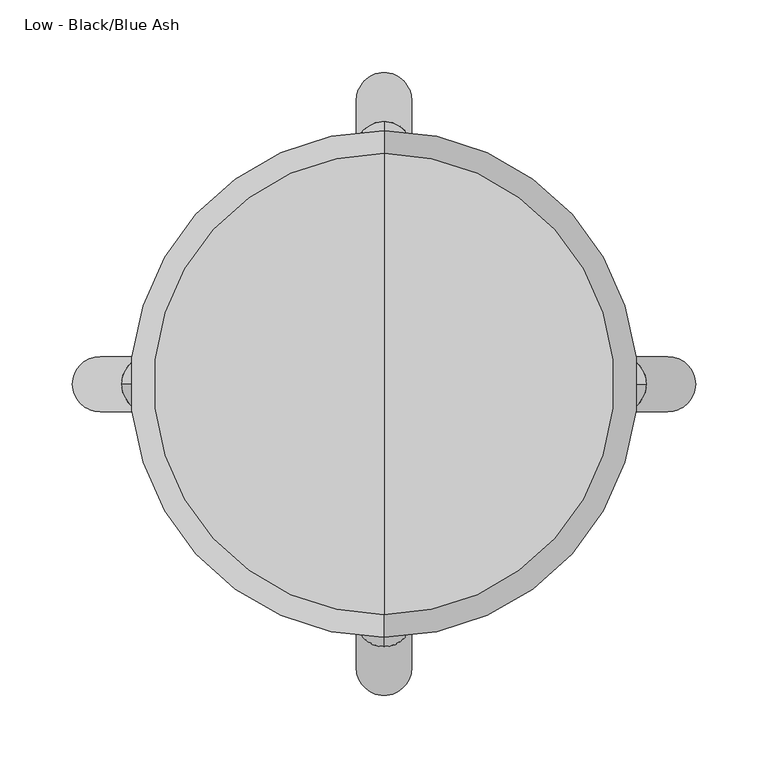
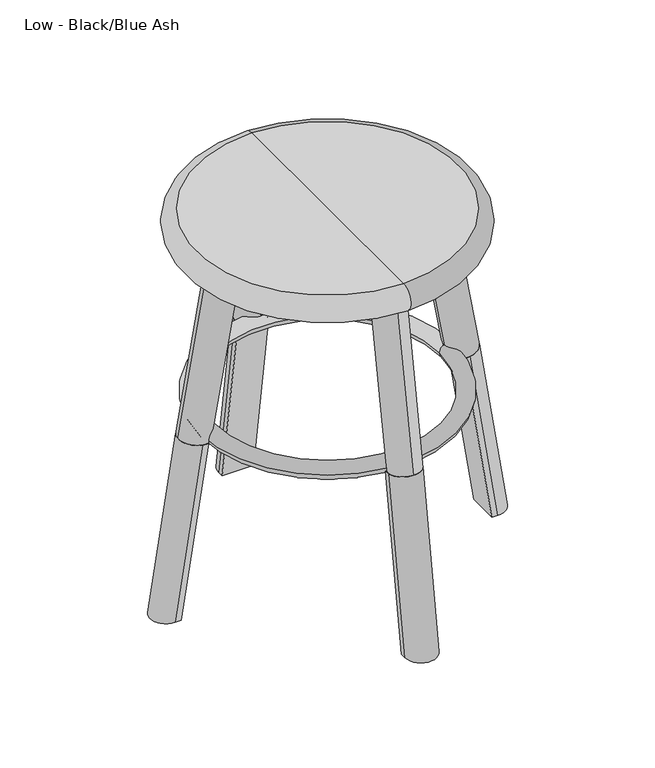
"""IFC4 building model written with IfcOpenShell, lengths in millimetres: furniture geometry, Low - Black/Blue Ash."""

from ifc_helpers import new_model, si_unit, point, frame, origin, origin_2d, place, context, project, spatial, circle_curve, ellipse_curve, trimmed, segment, composite_curve, outline, extrude, source, transform, mapped, element, save
from ifc_brep_helpers import plane_surface, cylinder_surface, revolved_surface, advanced_brep


def low_black_blue_ash_d314694e(model_context):
    return source(origin(), model_context, "Body", "SolidModel", [
        advanced_brep(
        [(155.0996299, -19.05, 213.9769897), (162.3177726, -19.05, 215.0951224), (162.3177726, 19.05, 215.0951224), (155.0996299, 19.05, 213.9769897), (188.2459222, 19.05, 0.0), (188.2459222, -19.05, 0.0), (195.6372703, 19.05, 0.0), (195.6372703, -19.05, 0.0)],
        [
            (0, 1),
            (1, 2, circle_curve(frame((162.3177726, 0.0, 215.0951224), z_axis=(-0.1530801181964548, 0.0, 0.988213781230033), x_axis=(-0.988213781230033, 0.0, -0.1530801181964548)), 19.05)),
            (2, 3),
            (3, 0),
            (3, 4),
            (4, 5),
            (5, 0),
            (2, 6),
            (6, 4),
            (1, 7),
            (7, 6, ellipse_curve(frame((195.6372703, 0.0, 0.0), z_axis=(0.0, 0.0, 1.0), x_axis=(-1.0, 0.0, 0.0)), 19.2772054, 19.05)),
            (5, 7),
        ],
        [
            plane_surface(frame((151.1776564, 0.0, 213.369453), z_axis=(-0.15308011819645478, 0.0, 0.988213781230033), x_axis=(0.0, -1.0, 0.0))),
            plane_surface(frame((155.0996299, 19.05, 213.9769897), z_axis=(-0.988213781230033, 0.0, -0.15308011819645478), x_axis=(0.15308011819645478, 0.0, -0.988213781230033))),
            plane_surface(frame((162.3177726, 19.05, 215.0951224), z_axis=(0.0, 1.0, 0.0), x_axis=(0.15308011819645478, 0.0, -0.988213781230033))),
            cylinder_surface(frame((162.3177726, 0.0, 215.0951224), z_axis=(-0.1530801181964548, 0.0, 0.988213781230033), x_axis=(-0.988213781230033, 0.0, -0.1530801181964548)), 19.05),
            plane_surface(frame((155.0996299, -19.05, 213.9769897), z_axis=(0.0, -1.0, 0.0), x_axis=(0.15308011819645478, 0.0, -0.988213781230033))),
            plane_surface(frame((-304.8, -264.8319713, 0.0), z_axis=(0.0, 0.0, -1.0), x_axis=(1.0, 0.0, 0.0))),
        ],
        [
            (0, [[1, 2, 3, 4]]),
            (1, [[-4, 5, 6, 7]]),
            (2, [[-3, 8, 9, -5]]),
            (3, [[-2, 10, 11, -8]]),
            (4, [[-1, -7, 12, -10]]),
            (5, [[-6, -9, -11, -12]]),
        ],
    ),
        advanced_brep(
        [(-19.05, -155.0996299, 213.9769897), (-19.05, -162.3177726, 215.0951224), (19.05, -162.3177726, 215.0951224), (19.05, -155.0996299, 213.9769897), (19.05, -188.2459222, 0.0), (-19.05, -188.2459222, 0.0), (19.05, -195.6372703, 0.0), (-19.05, -195.6372703, 0.0)],
        [
            (0, 1),
            (1, 2, circle_curve(frame((0.0, -162.3177726, 215.0951224), z_axis=(0.0, 0.1530801181964548, 0.988213781230033), x_axis=(0.0, 0.988213781230033, -0.1530801181964548)), 19.05)),
            (2, 3),
            (3, 0),
            (3, 4),
            (4, 5),
            (5, 0),
            (2, 6),
            (6, 4),
            (1, 7),
            (7, 6, ellipse_curve(frame((0.0, -195.6372703, 0.0), z_axis=(0.0, 0.0, 1.0), x_axis=(0.0, 1.0, 0.0)), 19.2772054, 19.05)),
            (5, 7),
        ],
        [
            plane_surface(frame((0.0, -151.1776564, 213.369453), z_axis=(0.0, 0.15308011819645478, 0.988213781230033), x_axis=(-1.0, 0.0, 0.0))),
            plane_surface(frame((19.05, -155.0996299, 213.9769897), z_axis=(0.0, 0.988213781230033, -0.15308011819645478), x_axis=(0.0, -0.15308011819645478, -0.988213781230033))),
            plane_surface(frame((19.05, -162.3177726, 215.0951224), z_axis=(1.0, 0.0, 0.0), x_axis=(0.0, -0.15308011819645476, -0.988213781230033))),
            cylinder_surface(frame((0.0, -162.3177726, 215.0951224), z_axis=(0.0, 0.1530801181964548, 0.988213781230033), x_axis=(0.0, 0.988213781230033, -0.1530801181964548)), 19.05),
            plane_surface(frame((-19.05, -155.0996299, 213.9769897), z_axis=(-1.0, 0.0, 0.0), x_axis=(0.0, -0.15308011819645478, -0.988213781230033))),
            plane_surface(frame((-304.8, -264.8319713, 0.0), z_axis=(0.0, 0.0, -1.0), x_axis=(1.0, 0.0, 0.0))),
        ],
        [
            (0, [[1, 2, 3, 4]]),
            (1, [[-4, 5, 6, 7]]),
            (2, [[-3, 8, 9, -5]]),
            (3, [[-2, 10, 11, -8]]),
            (4, [[-1, -7, 12, -10]]),
            (5, [[-6, -9, -11, -12]]),
        ],
    ),
        advanced_brep(
        [(-19.05, 155.0996299, 213.9769897), (19.05, 155.0996299, 213.9769897), (19.05, 162.3177726, 215.0951224), (-19.05, 162.3177726, 215.0951224), (-19.05, 188.2459222, 0.0), (19.05, 188.2459222, 0.0), (19.05, 195.6372703, 0.0), (-19.05, 195.6372703, 0.0)],
        [
            (0, 1),
            (1, 2),
            (2, 3, circle_curve(frame((0.0, 162.3177726, 215.0951224), z_axis=(0.0, -0.1530801181964548, 0.988213781230033), x_axis=(0.0, -0.988213781230033, -0.1530801181964548)), 19.05)),
            (3, 0),
            (0, 4),
            (4, 5),
            (5, 1),
            (5, 6),
            (6, 2),
            (6, 7, ellipse_curve(frame((0.0, 195.6372703, 0.0), z_axis=(0.0, 0.0, 1.0), x_axis=(0.0, -1.0, 0.0)), 19.2772054, 19.05)),
            (7, 3),
            (7, 4),
        ],
        [
            plane_surface(frame((0.0, 151.1776564, 213.369453), z_axis=(0.0, -0.15308011819645478, 0.988213781230033), x_axis=(-1.0, 0.0, 0.0))),
            plane_surface(frame((-19.05, 155.0996299, 213.9769897), z_axis=(0.0, -0.988213781230033, -0.1530801181964548), x_axis=(0.0, 0.1530801181964548, -0.988213781230033))),
            plane_surface(frame((19.05, 155.0996299, 213.9769897), z_axis=(1.0000000000000002, 0.0, 0.0), x_axis=(0.0, 0.1530801181964548, -0.988213781230033))),
            cylinder_surface(frame((0.0, 162.3177726, 215.0951224), z_axis=(0.0, -0.1530801181964548, 0.988213781230033), x_axis=(0.0, -0.988213781230033, -0.1530801181964548)), 19.05),
            plane_surface(frame((-19.05, 162.3177726, 215.0951224), z_axis=(-1.0, 0.0, 0.0), x_axis=(0.0, 0.15308011819645478, -0.988213781230033))),
            plane_surface(frame((-304.8, -264.8319713, 0.0), z_axis=(0.0, 0.0, -1.0), x_axis=(1.0, 0.0, 0.0))),
        ],
        [
            (0, [[1, 2, 3, 4]]),
            (1, [[-1, 5, 6, 7]]),
            (2, [[-2, -7, 8, 9]]),
            (3, [[-3, -9, 10, 11]]),
            (4, [[-4, -11, 12, -5]]),
            (5, [[-6, -12, -10, -8]]),
        ],
    ),
        advanced_brep(
        [(-155.0996299, -19.05, 213.9769897), (-155.0996299, 19.05, 213.9769897), (-162.3177726, 19.05, 215.0951224), (-162.3177726, -19.05, 215.0951224), (-188.2459222, -19.05, 0.0), (-188.2459222, 19.05, 0.0), (-195.6372703, 19.05, 0.0), (-195.6372703, -19.05, 0.0)],
        [
            (0, 1),
            (1, 2),
            (2, 3, circle_curve(frame((-162.3177726, 0.0, 215.0951224), z_axis=(0.1530801181964548, 0.0, 0.988213781230033), x_axis=(0.988213781230033, 0.0, -0.1530801181964548)), 19.05)),
            (3, 0),
            (0, 4),
            (4, 5),
            (5, 1),
            (5, 6),
            (6, 2),
            (6, 7, ellipse_curve(frame((-195.6372703, 0.0, 0.0), z_axis=(0.0, 0.0, 1.0), x_axis=(1.0, 0.0, 0.0)), 19.2772054, 19.05)),
            (7, 3),
            (7, 4),
        ],
        [
            plane_surface(frame((-151.1776564, 0.0, 213.369453), z_axis=(0.15308011819645478, 0.0, 0.988213781230033), x_axis=(0.0, -1.0, 0.0))),
            plane_surface(frame((-155.0996299, -19.05, 213.9769897), z_axis=(0.988213781230033, 0.0, -0.15308011819645478), x_axis=(-0.15308011819645478, 0.0, -0.988213781230033))),
            plane_surface(frame((-155.0996299, 19.05, 213.9769897), z_axis=(0.0, 1.0, 0.0), x_axis=(-0.15308011819645478, 0.0, -0.988213781230033))),
            cylinder_surface(frame((-162.3177726, 0.0, 215.0951224), z_axis=(0.1530801181964548, 0.0, 0.988213781230033), x_axis=(0.988213781230033, 0.0, -0.1530801181964548)), 19.05),
            plane_surface(frame((-162.3177726, -19.05, 215.0951224), z_axis=(0.0, -1.0, 0.0), x_axis=(-0.15308011819645478, 0.0, -0.988213781230033))),
            plane_surface(frame((-304.8, -264.8319713, 0.0), z_axis=(0.0, 0.0, -1.0), x_axis=(1.0, 0.0, 0.0))),
        ],
        [
            (0, [[1, 2, 3, 4]]),
            (1, [[-1, 5, 6, 7]]),
            (2, [[-2, -7, 8, 9]]),
            (3, [[-3, -9, 10, 11]]),
            (4, [[-4, -11, 12, -5]]),
            (5, [[-6, -12, -10, -8]]),
        ],
    ),
        extrude(outline(composite_curve([segment(trimmed(circle_curve(origin_2d(), 19.05), [point((0.0, -19.0500001))], [point((0.0, 19.0499999))], False, "CARTESIAN"), True, "CONTINUOUS"), segment(trimmed(circle_curve(origin_2d(), 19.05), [point((0.0, 19.0499999))], [point((0.0, -19.0500001))], False, "CARTESIAN"), True, "CONTINUOUS")], self_intersect=False)), frame((0.0, -162.5563694, 214.0710263), z_axis=(0.0, 0.1725043311403054, 0.9850087592188386), x_axis=(-1.0, 0.0, 0.0)), (0.0, 0.0, 1.0), 223.096023),
        extrude(outline(composite_curve([segment(trimmed(circle_curve(origin_2d(), 19.05), [point((0.0, -19.0499999))], [point((0.0, 19.0500001))], False, "CARTESIAN"), True, "CONTINUOUS"), segment(trimmed(circle_curve(origin_2d(), 19.05), [point((0.0, 19.0500001))], [point((0.0, -19.0499999))], False, "CARTESIAN"), True, "CONTINUOUS")], self_intersect=False)), frame((0.0, 162.5563694, 214.0710263), z_axis=(0.0, -0.17250433114030816, 0.9850087592188381), x_axis=(-1.0, 0.0, 0.0)), (0.0, 0.0, 1.0), 223.096023),
        extrude(outline(composite_curve([segment(trimmed(circle_curve(origin_2d(), 19.05), [point((0.0, -19.0500001))], [point((0.0, 19.0499999))], False, "CARTESIAN"), True, "CONTINUOUS"), segment(trimmed(circle_curve(origin_2d(), 19.05), [point((0.0, 19.0499999))], [point((0.0, -19.0500001))], False, "CARTESIAN"), True, "CONTINUOUS")], self_intersect=False)), frame((162.5563694, 0.0, 214.0710263), z_axis=(-0.17250433114037325, 0.0, 0.9850087592188267), x_axis=(0.0, -1.0, 0.0)), (0.0, 0.0, 1.0), 223.096023),
        extrude(outline(composite_curve([segment(trimmed(circle_curve(origin_2d(), 19.05), [point((0.0, -19.0499999))], [point((0.0, 19.0500001))], False, "CARTESIAN"), True, "CONTINUOUS"), segment(trimmed(circle_curve(origin_2d(), 19.05), [point((0.0, 19.0500001))], [point((0.0, -19.0499999))], False, "CARTESIAN"), True, "CONTINUOUS")], self_intersect=False)), frame((-162.5563694, 0.0, 214.0710263), z_axis=(0.1725043311402403, 0.0, 0.98500875921885), x_axis=(0.0, -1.0, 0.0)), (0.0, 0.0, 1.0), 223.096023),
        advanced_brep(
        [(135.7105193, 0.0, 217.2128196), (-135.7105193, 0.0, 217.2128196), (-155.8205717, 0.0, 217.2128196), (155.8205717, 0.0, 217.2128196)],
        [
            (0, 1, circle_curve(frame((0.0, 0.0, 217.2128196), z_axis=(0.0, 0.0, -1.0), x_axis=(-1.0, 0.0, 0.0)), 135.7105193)),
            (1, 2, circle_curve(frame((-145.7655455, 0.0, 217.2128196), z_axis=(0.0, -1.0, 0.0), x_axis=(1.0, 0.0, 0.0)), 10.0550262)),
            (2, 3, circle_curve(frame((0.0, 0.0, 217.2128196), z_axis=(0.0, 0.0, 1.0), x_axis=(-1.0, 0.0, 0.0)), 155.8205717)),
            (3, 0, circle_curve(frame((145.7655455, 0.0, 217.2128196), z_axis=(0.0, -1.0, 0.0), x_axis=(-1.0, 0.0, 0.0)), 10.0550262)),
            (2, 1, circle_curve(frame((-145.7655455, 0.0, 217.2128196), z_axis=(0.0, -1.0, 0.0), x_axis=(1.0, 0.0, 0.0)), 10.0550262)),
            (0, 3, circle_curve(frame((145.7655455, 0.0, 217.2128196), z_axis=(0.0, -1.0, 0.0), x_axis=(-1.0, 0.0, 0.0)), 10.0550262)),
            (1, 0, circle_curve(frame((0.0, 0.0, 217.2128196), z_axis=(0.0, 0.0, -1.0), x_axis=(1.0, 0.0, 0.0)), 135.7105193)),
            (3, 2, circle_curve(frame((0.0, 0.0, 217.2128196), z_axis=(0.0, 0.0, 1.0), x_axis=(1.0, 0.0, 0.0)), 155.8205717)),
        ],
        [
            revolved_surface(trimmed(ellipse_curve(frame((-145.7655455, 0.0, 217.2128196), z_axis=(0.0, 1.0, 0.0), x_axis=(1.0, 0.0, 0.0)), 10.0550262, 10.0550262), [point((-155.8205717, 0.0, 217.2128196))], [point((-135.7105193, 0.0, 217.2128196))], True, "CARTESIAN"), (0.0, 0.0, 0.0), (0.0, 0.0, 1.0)),
            revolved_surface(trimmed(ellipse_curve(frame((-145.7655455, 0.0, 217.2128196), z_axis=(0.0, 1.0, 0.0), x_axis=(1.0, 0.0, 0.0)), 10.0550262, 10.0550262), [point((-135.7105193, 0.0, 217.2128196))], [point((-155.8205717, 0.0, 217.2128196))], True, "CARTESIAN"), (0.0, 0.0, 0.0), (0.0, 0.0, 1.0)),
            revolved_surface(trimmed(ellipse_curve(frame((145.7655455, 0.0, 217.2128196), z_axis=(0.0, -1.0, 0.0), x_axis=(-1.0, 0.0, 0.0)), 10.0550262, 10.0550262), [point((155.8205717, 0.0, 217.2128196))], [point((135.7105193, 0.0, 217.2128196))], True, "CARTESIAN"), (0.0, 0.0, 0.0), (0.0, 0.0, 1.0)),
            revolved_surface(trimmed(ellipse_curve(frame((145.7655455, 0.0, 217.2128196), z_axis=(0.0, -1.0, 0.0), x_axis=(-1.0, 0.0, 0.0)), 10.0550262, 10.0550262), [point((135.7105193, 0.0, 217.2128196))], [point((155.8205717, 0.0, 217.2128196))], True, "CARTESIAN"), (0.0, 0.0, 0.0), (0.0, 0.0, 1.0)),
        ],
        [
            (0, [[1, 2, 3, 4]]),
            (1, [[-3, 5, -1, 6]]),
            (2, [[7, -4, 8, -2]]),
            (3, [[-8, -6, -7, -5]]),
        ],
    ),
        advanced_brep(
        [(0.0, -159.0207008, 418.0051288), (0.0, 159.0207008, 418.0051288), (0.0, 0.0, 418.0051288), (0.0, -159.0207008, 449.7551288), (0.0, 159.0207008, 449.7551288), (0.0, 0.0, 449.7551288)],
        [
            (0, 1, circle_curve(frame((0.0, 0.0, 418.0051288), z_axis=(0.0, 0.0, -1.0), x_axis=(0.0, 1.0, 0.0)), 159.0207008)),
            (1, 2),
            (2, 0),
            (1, 0, circle_curve(frame((0.0, 0.0, 418.0051288), z_axis=(0.0, 0.0, -1.0), x_axis=(0.0, 1.0, 0.0)), 159.0207008)),
            (3, 4, circle_curve(frame((0.0, 0.0, 449.7551288), z_axis=(0.0, 0.0, -1.0), x_axis=(0.0, 1.0, 0.0)), 159.0207008)),
            (4, 1, circle_curve(frame((0.0, 159.0207008, 433.8801288), z_axis=(-1.0, 0.0, 0.0), x_axis=(0.0, 1.0, 0.0)), 15.875)),
            (0, 3, circle_curve(frame((0.0, -159.0207008, 433.8801288), z_axis=(-1.0, 0.0, 0.0), x_axis=(0.0, -1.0, 0.0)), 15.875)),
            (4, 3, circle_curve(frame((0.0, 0.0, 449.7551288), z_axis=(0.0, 0.0, -1.0), x_axis=(0.0, 1.0, 0.0)), 159.0207008)),
            (5, 4),
            (3, 5),
        ],
        [
            plane_surface(frame((0.0, 0.0, 418.0051288), z_axis=(0.0, 0.0, -1.0), x_axis=(0.0, 1.0, 0.0))),
            revolved_surface(trimmed(ellipse_curve(frame((0.0, 159.0207008, 433.8801288), z_axis=(1.0, 0.0, 0.0), x_axis=(0.0, 1.0, 0.0)), 15.875, 15.875), [point((0.0, 159.0207008, 418.0051288))], [point((0.0, 159.0207008, 449.7551288))], True, "CARTESIAN"), (0.0, 0.0, 462.697569), (0.0, 0.0, 1.0)),
            plane_surface(frame((0.0, 0.0, 449.7551288), z_axis=(0.0, 0.0, 1.0), x_axis=(0.0, 1.0, 0.0))),
        ],
        [
            (0, [[1, 2, 3]]),
            (0, [[4, -3, -2]]),
            (1, [[5, 6, -1, 7]]),
            (1, [[8, -7, -4, -6]]),
            (2, [[9, -5, 10]]),
            (2, [[-10, -8, -9]]),
        ],
    ),
    ])


if __name__ == "__main__":
    model = new_model("IFC4")
    model_context = context("Model", 3, world=origin())
    ifc_project = project(units=[si_unit("LENGTHUNIT", "METRE", prefix="MILLI")], contexts=[model_context])
    site = spatial("IfcSite", under=ifc_project)
    building = spatial("IfcBuilding", under=site)
    placement = place(None, origin())
    low_black_blue_ash_shape = low_black_blue_ash_d314694e(model_context)
    element("IfcFurniture", 1, ObjectType="Low - Black/Blue Ash", at=placement, inside=building, context=model_context, shape_type="MappedRepresentation", body=[
        mapped(low_black_blue_ash_shape, transform((0.0, 0.0, 0.0), x_axis=(1.0, 0.0, 0.0), y_axis=(0.0, 1.0, 0.0), z_axis=(0.0, 0.0, 1.0))),
    ])
    save(model, "model.ifc")
